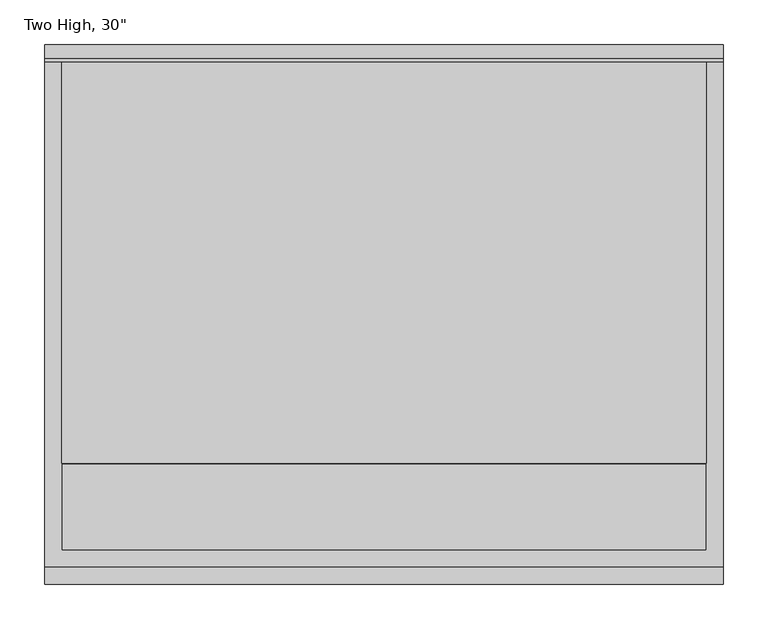
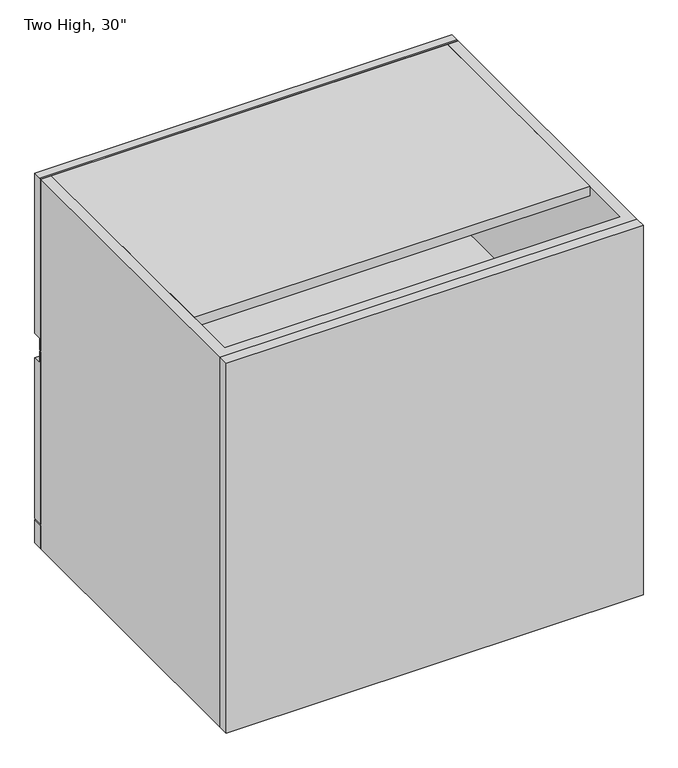
"""IFC4 building model written with IfcOpenShell, lengths in millimetres: furniture geometry."""

from ifc_helpers import new_model, si_unit, frame, origin, origin_with_axes, place, context, project, spatial, polyline, outline, extrude, source, transform, mapped, element, save


def furniture_df77c1ef(model_context):
    return source(origin(), model_context, "Body", "SweptSolid", [
        extrude(outline(polyline([(669.925, 711.2), (685.8, 711.2), (685.8, 688.975), (685.8, 403.225), (669.925, 403.225), (669.925, 381.0), (666.75, 381.0), (666.75, 711.2), (669.925, 711.2)])), frame((-300.0375, 0.0, 0.0), z_axis=(1.0, 0.0, 0.0), x_axis=(0.0, 1.0, 0.0)), (0.0, 0.0, 1.0), 758.825),
        extrude(outline(polyline([(669.925, 377.825), (669.925, 355.6), (685.8, 355.6), (685.8, 69.85), (685.8, 47.625), (669.925, 47.625), (666.75, 47.625), (666.75, 377.825), (669.925, 377.825)])), frame((-300.0375, 0.0, 0.0), z_axis=(1.0, 0.0, 0.0), x_axis=(0.0, 1.0, 0.0)), (0.0, 0.0, 1.0), 758.825),
        extrude(outline(polyline([(439.7375, 101.6), (-280.9875, 101.6), (-280.9875, 666.75), (439.7375, 666.75), (439.7375, 101.6)])), origin_with_axes(), (0.0, 0.0, 1.0), 44.45),
        extrude(outline(polyline([(439.7375, 217.4875), (-280.9875, 217.4875), (-280.9875, 666.75), (439.7375, 666.75), (439.7375, 217.4875)])), frame((0.0, 0.0, 369.8875), z_axis=(0.0, 0.0, 1.0), x_axis=(1.0, 0.0, 0.0)), (0.0, 0.0, 1.0), 19.05),
        extrude(outline(polyline([(458.7875, 666.75), (-300.0375, 666.75), (-300.0375, 685.8), (458.7875, 685.8), (458.7875, 666.75)])), origin_with_axes(), (0.0, 0.0, 1.0), 44.45),
        extrude(outline(polyline([(458.7875, 82.55), (-300.0375, 82.55), (-300.0375, 101.6), (458.7875, 101.6), (458.7875, 82.55)])), origin_with_axes(), (0.0, 0.0, 1.0), 711.2),
        extrude(outline(polyline([(439.7375, 217.4875), (-280.9875, 217.4875), (-280.9875, 666.75), (439.7375, 666.75), (439.7375, 217.4875)])), frame((0.0, 0.0, 692.15), z_axis=(0.0, 0.0, 1.0), x_axis=(1.0, 0.0, 0.0)), (0.0, 0.0, 1.0), 19.05),
        extrude(outline(polyline([(458.7875, 101.6), (-300.0375, 101.6), (-300.0375, 666.75), (-280.9875, 666.75), (-280.9875, 120.65), (439.7375, 120.65), (439.7375, 666.75), (458.7875, 666.75), (458.7875, 101.6)])), origin_with_axes(), (0.0, 0.0, 1.0), 711.2),
    ])


if __name__ == "__main__":
    model = new_model("IFC4")
    model_context = context("Model", 3, world=origin())
    ifc_project = project(units=[si_unit("LENGTHUNIT", "METRE", prefix="MILLI")], contexts=[model_context])
    site = spatial("IfcSite", under=ifc_project)
    building = spatial("IfcBuilding", under=site)
    placement = place(None, origin())
    furniture_shape = furniture_df77c1ef(model_context)
    element("IfcFurniture", 1, ObjectType="Two High, 30\"", at=placement, inside=building, context=model_context, shape_type="MappedRepresentation", body=[
        mapped(furniture_shape, transform((0.0, 0.0, 0.0), x_axis=(1.0, 0.0, 0.0), y_axis=(0.0, 1.0, 0.0), z_axis=(0.0, 0.0, 1.0))),
    ])
    save(model, "model.ifc")
